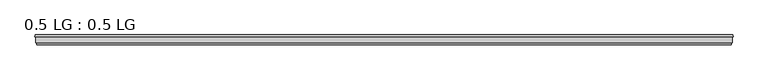
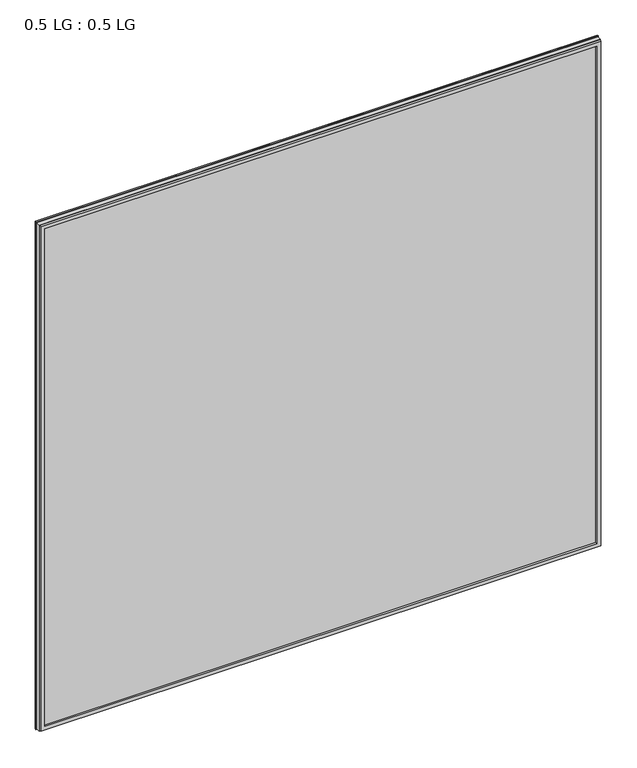
"""IFC4 building model written with IfcOpenShell, lengths in millimetres: plate geometry, 0.5 LG : 0.5 LG."""

from ifc_helpers import new_model, si_unit, origin, origin_with_axes, place, context, project, spatial, polyline, outline, extrude, faceted_brep, source, transform, mapped, element, save


def plate_0_5_lg_0_5_lg_0d0e2126(model_context):
    return source(origin(), model_context, "Body", "SolidModel", [
        faceted_brep([(-802.0754633, 26.3144, 1527.5756633), (-800.8871801, 30.9880073, 1526.3873801), (-800.8871801, 30.9880073, -0.7871801), (-802.0754633, 26.3144, -1.9754633), (-789.7623956, 30.9880073, 1515.2625956), (-788.5742356, 26.3144, 1514.0744356), (-788.5742356, 26.3144, 11.5257644), (-789.7623956, 30.9880073, 10.3376044), (800.8871801, 30.9880073, -0.7871801), (802.0754633, 26.3144, -1.9754633), (788.5742356, 26.3144, 11.5257644), (789.7623956, 30.9880073, 10.3376044), (800.8871801, 30.9880073, 1526.3873801), (802.0754633, 26.3144, 1527.5756633), (788.5742356, 26.3144, 1514.0744356), (789.7623956, 30.9880073, 1515.2625956)], [[[0, 1, 2, 3]], [[4, 5, 6, 7]], [[3, 2, 8, 9]], [[7, 6, 10, 11]], [[9, 8, 12, 13]], [[11, 10, 14, 15]], [[1, 12, 8, 2], [7, 11, 15, 4]], [[13, 12, 1, 0]], [[3, 9, 13, 0], [5, 14, 10, 6]], [[15, 14, 5, 4]]]),
        faceted_brep([(-785.9786419, 12.7, 1511.4788419), (-787.0441159, 8.50902, 1512.5443159), (-787.0441159, 8.50902, 13.0558841), (-785.9786419, 12.7, 14.1213581), (-798.1695018, 8.50902, 1523.6697018), (-799.2347832, 12.7, 1524.7349832), (-799.2347832, 12.7, 0.8652168), (-798.1695018, 8.50902, 1.9304982), (787.0441159, 8.50902, 13.0558841), (785.9786419, 12.7, 14.1213581), (799.2347832, 12.7, 0.8652168), (798.1695018, 8.50902, 1.9304982), (787.0441159, 8.50902, 1512.5443159), (785.9786419, 12.7, 1511.4788419), (799.2347832, 12.7, 1524.7349832), (798.1695018, 8.50902, 1523.6697018)], [[[0, 1, 2, 3]], [[4, 5, 6, 7]], [[3, 2, 8, 9]], [[7, 6, 10, 11]], [[9, 8, 12, 13]], [[11, 10, 14, 15]], [[13, 12, 1, 0]], [[5, 14, 10, 6], [3, 9, 13, 0]], [[15, 14, 5, 4]], [[7, 11, 15, 4], [1, 12, 8, 2]]]),
        extrude(outline(polyline([(800.1, 26.3144), (800.1, 12.7), (-800.1, 12.7), (-800.1, 26.3144), (800.1, 26.3144)])), origin_with_axes(), (0.0, 0.0, 1.0), 1525.6002),
    ])


if __name__ == "__main__":
    model = new_model("IFC4")
    model_context = context("Model", 3, world=origin())
    ifc_project = project(units=[si_unit("LENGTHUNIT", "METRE", prefix="MILLI")], contexts=[model_context])
    site = spatial("IfcSite", under=ifc_project)
    building = spatial("IfcBuilding", under=site)
    placement = place(None, origin())
    plate_0_5_lg_0_5_lg_shape = plate_0_5_lg_0_5_lg_0d0e2126(model_context)
    element("IfcPlate", 1, ObjectType="0.5 LG : 0.5 LG", at=placement, inside=building, context=model_context, shape_type="MappedRepresentation", body=[
        mapped(plate_0_5_lg_0_5_lg_shape, transform((0.0, 0.0, 0.0), x_axis=(1.0, 0.0, 0.0), y_axis=(0.0, 1.0, 0.0), z_axis=(0.0, 0.0, 1.0))),
    ])
    save(model, "model.ifc")
